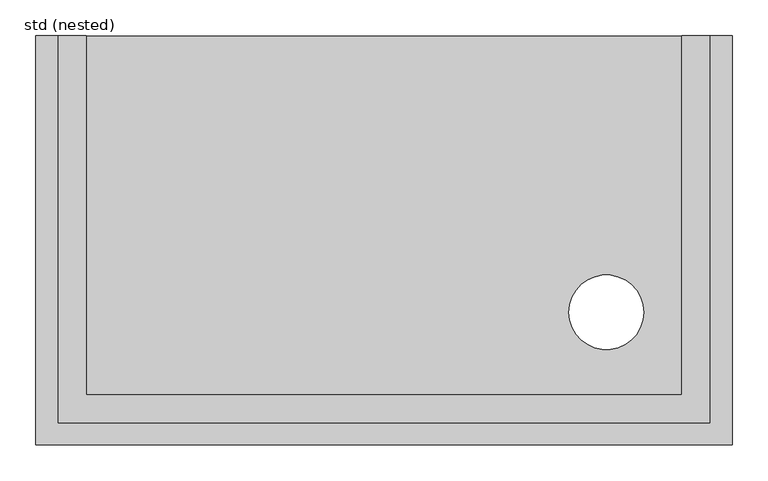
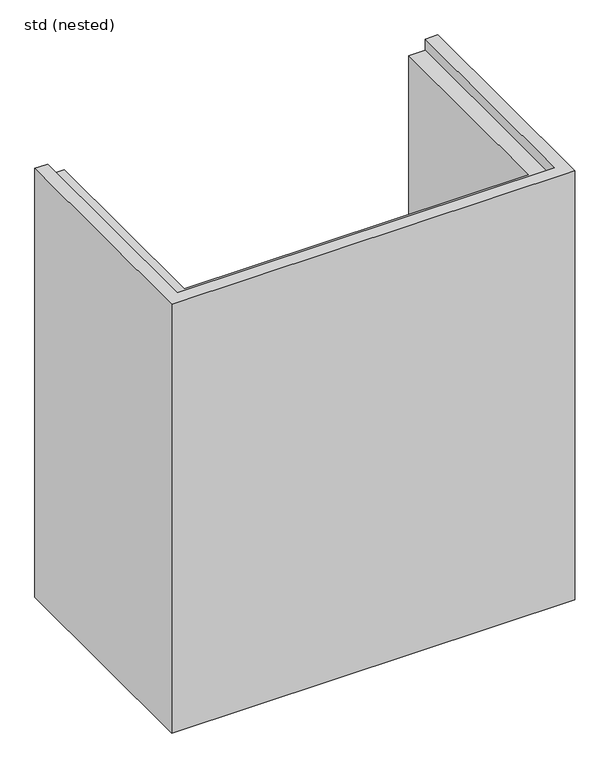
"""IFC4 building model written with IfcOpenShell, lengths in millimetres: proxy geometry, std (nested)."""

from ifc_helpers import new_model, si_unit, frame, origin, place, context, project, spatial, polyline, circle_curve, source, transform, mapped, element, save
from ifc_brep_helpers import plane_surface, revolved_surface, advanced_brep


def std_nested_768e2866(model_context):
    return source(origin(), model_context, "Body", "AdvancedBrep", [
        advanced_brep(
        [(-484.5, 0.0, 1090.0), (-454.0, 0.0, 1090.0), (-454.0, 0.0, 1062.0), (-414.5, 0.0, 1062.0), (-414.5, 0.0, 90.0), (414.5, 0.0, 90.0), (414.5, 0.0, 1062.0), (454.0, 0.0, 1062.0), (454.0, 0.0, 1090.0), (484.5, 0.0, 1090.0), (484.5, 0.0, 0.0), (-484.5, 0.0, 0.0), (-484.5, -570.0, 0.0), (-484.5, -570.0, 1090.0), (484.5, -570.0, 1090.0), (454.0, -539.5, 1090.0), (-454.0, -539.5, 1090.0), (-454.0, -539.5, 1062.0), (454.0, -539.5, 1062.0), (414.5, -500.0, 1062.0), (-414.5, -500.0, 1062.0), (-414.5, -500.0, 90.0), (484.5, -570.0, 0.0), (414.5, -500.0, 90.0), (257.5, -385.0, 90.0), (361.5, -385.0, 90.0), (257.5, -385.0, 0.0), (361.5, -385.0, 0.0)],
        [
            (0, 1),
            (1, 2),
            (2, 3),
            (3, 4),
            (4, 5),
            (5, 6),
            (6, 7),
            (7, 8),
            (8, 9),
            (9, 10),
            (10, 11),
            (11, 0),
            (11, 12),
            (12, 13),
            (13, 0),
            (13, 14),
            (14, 9),
            (8, 15),
            (15, 16),
            (16, 1),
            (16, 17),
            (17, 2),
            (17, 18),
            (18, 7),
            (6, 19),
            (19, 20),
            (20, 3),
            (20, 21),
            (21, 4),
            (12, 22),
            (22, 14),
            (15, 18),
            (19, 23),
            (23, 21),
            (22, 10),
            (5, 23),
            (24, 25, circle_curve(frame((309.5, -385.0, 90.0), z_axis=(0.0, 0.0, -1.0), x_axis=(1.0, 0.0, 0.0)), 52.0)),
            (25, 24, circle_curve(frame((309.5, -385.0, 90.0), z_axis=(0.0, 0.0, -1.0), x_axis=(1.0, 0.0, 0.0)), 52.0)),
            (26, 27, circle_curve(frame((309.5, -385.0, 0.0), z_axis=(0.0, 0.0, 1.0), x_axis=(1.0, 0.0, 0.0)), 52.0)),
            (27, 26, circle_curve(frame((309.5, -385.0, 0.0), z_axis=(0.0, 0.0, 1.0), x_axis=(1.0, 0.0, 0.0)), 52.0)),
            (24, 26),
            (27, 25),
        ],
        [
            plane_surface(frame((-484.5, 0.0, 0.0), z_axis=(0.0, 1.0, 0.0), x_axis=(0.0, 0.0, 1.0))),
            plane_surface(frame((-484.5, 0.0, 90.0), z_axis=(-1.0, 0.0, 0.0), x_axis=(0.0, -1.0, 0.0))),
            plane_surface(frame((-484.5, 0.0, 1090.0), z_axis=(0.0, 0.0, 1.0), x_axis=(0.0, -1.0, 0.0))),
            plane_surface(frame((-454.0, 0.0, 1090.0), z_axis=(1.0, 0.0, 0.0), x_axis=(0.0, -1.0, 0.0))),
            plane_surface(frame((-454.0, 0.0, 1062.0), z_axis=(0.0, 0.0, 1.0), x_axis=(0.0, -1.0, 0.0))),
            plane_surface(frame((-414.5, 0.0, 1062.0), z_axis=(1.0, 0.0, 0.0), x_axis=(0.0, -1.0, 0.0))),
            plane_surface(frame((-484.5, -570.0, 90.0), z_axis=(0.0, -1.0, 0.0), x_axis=(1.0, 0.0, 0.0))),
            plane_surface(frame((-454.0, -539.5, 1090.0), z_axis=(0.0, 1.0, 0.0), x_axis=(1.0, 0.0, 0.0))),
            plane_surface(frame((-414.5, -500.0, 1062.0), z_axis=(0.0, 1.0, 0.0), x_axis=(1.0, 0.0, 0.0))),
            plane_surface(frame((484.5, -570.0, 90.0), z_axis=(1.0, 0.0, 0.0), x_axis=(0.0, 1.0, 0.0))),
            plane_surface(frame((454.0, -539.5, 1090.0), z_axis=(-1.0, 0.0, 0.0), x_axis=(0.0, 1.0, 0.0))),
            plane_surface(frame((414.5, -500.0, 1062.0), z_axis=(-1.0, 0.0, 0.0), x_axis=(0.0, 1.0, 0.0))),
            plane_surface(frame((-484.5, 0.0, 90.0), z_axis=(0.0, 0.0, 1.0), x_axis=(-1.0, 0.0, 0.0))),
            plane_surface(frame((-484.5, 0.0, 0.0), z_axis=(0.0, 0.0, -1.0), x_axis=(1.0, 0.0, 0.0))),
            revolved_surface(polyline([(361.5, -385.0, 0.0), (361.5, -385.0, 90.0)]), (309.5, -385.0, 0.0), (0.0, 0.0, -1.0)),
        ],
        [
            (0, [[1, 2, 3, 4, 5, 6, 7, 8, 9, 10, 11, 12]]),
            (1, [[-12, 13, 14, 15]]),
            (2, [[-1, -15, 16, 17, -9, 18, 19, 20]]),
            (3, [[-2, -20, 21, 22]]),
            (4, [[-3, -22, 23, 24, -7, 25, 26, 27]]),
            (5, [[-4, -27, 28, 29]]),
            (6, [[-14, 30, 31, -16]]),
            (7, [[-19, 32, -23, -21]]),
            (8, [[-26, 33, 34, -28]]),
            (9, [[-10, -17, -31, 35]]),
            (10, [[-18, -8, -24, -32]]),
            (11, [[-25, -6, 36, -33]]),
            (12, [[-5, -29, -34, -36], [37, 38]]),
            (13, [[-35, -30, -13, -11], [39, 40]]),
            (14, [[-37, 41, -40, 42]]),
            (14, [[-38, -42, -39, -41]]),
        ],
    ),
    ])


if __name__ == "__main__":
    model = new_model("IFC4")
    model_context = context("Model", 3, world=origin())
    ifc_project = project(units=[si_unit("LENGTHUNIT", "METRE", prefix="MILLI")], contexts=[model_context])
    site = spatial("IfcSite", under=ifc_project)
    building = spatial("IfcBuilding", under=site)
    placement = place(None, origin())
    std_nested_shape = std_nested_768e2866(model_context)
    element("IfcBuildingElementProxy", 1, Name="std (nested)", ObjectType="std (nested)", at=placement, inside=building, context=model_context, shape_type="MappedRepresentation", body=[
        mapped(std_nested_shape, transform((0.0, 0.0, 0.0), x_axis=(1.0, 0.0, 0.0), y_axis=(0.0, 1.0, 0.0), z_axis=(0.0, 0.0, 1.0))),
    ])
    save(model, "model.ifc")
